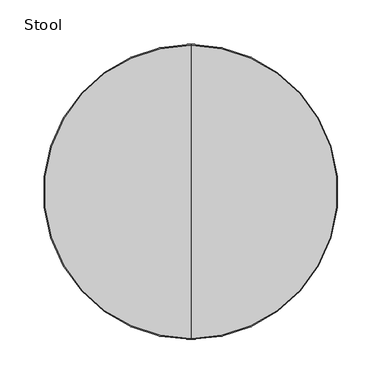
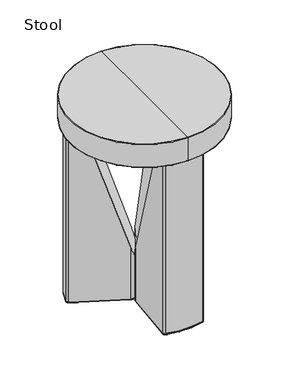
"""IFC4 building model written with IfcOpenShell, lengths in millimetres: furniture geometry, Stool."""

from ifc_helpers import new_model, si_unit, point, frame, origin, place, context, project, spatial, polyline, circle_curve, ellipse_curve, trimmed, source, transform, mapped, element, save
from ifc_brep_helpers import plane_surface, cylinder_surface, revolved_surface, advanced_brep


def stool_a5da46ef(model_context):
    return source(origin(), model_context, "Body", "AdvancedBrep", [
        advanced_brep(
        [(-103.7718593, 111.5080853, 400.2407213), (-110.115145, 110.942504, 400.2407213), (-151.1365994, 39.8912609, 400.2407213), (-148.4547642, 34.1150237, 400.2407213), (-122.0414877, 21.4956794, 400.2407213), (-79.6365483, 94.943189, 400.2407213), (-32.4948926, -11.7435212, 3.9999847), (-38.980477, -13.7550624, 3.9999847), (-146.7304592, 37.7241293, 3.9999847), (-147.2668414, 38.8794093, 3.9999847), (-107.3039768, 108.0971211, 3.9999847), (-106.0352839, 108.2102405, 3.9999847), (-7.578005, 40.6356145, 3.9999847), (-6.0772586, 34.0131631, 3.9999847), (-2.6132792, 32.0132337, 99.9105436), (-2.6132792, 32.0132337, 3.9999847), (-5.3145804, 43.9334593, 3.9999847), (-5.3145804, 43.9334593, 125.3013557), (-103.7718593, 111.5080853, 3.9999847), (-5.3145804, 43.9334593, 2.5), (-103.7718593, 111.5080853, 2.5), (-110.115145, 110.942504, 3.9999847), (-151.1365994, 39.8912609, 3.9999847), (-148.4547642, 34.1150237, 3.9999847), (-148.4547642, 34.1150237, 2.5), (-40.704782, -17.364168, 2.5), (-40.704782, -17.364168, 3.9999847), (-40.704782, -17.364168, 125.3013557), (-29.0309132, -13.7434507, 3.9999847), (-29.0309132, -13.7434507, 99.9105436), (-29.0309132, -13.7434507, 2.5), (-2.6132792, 32.0132337, 2.5), (-39.6270533, -15.1083974, 0.0), (-31.1959767, -12.4934507, 0.0), (-32.4948926, -11.7435212, 0.0), (-38.980477, -13.7550624, 0.0), (-147.3770355, 36.3707943, 0.0), (-146.7304592, 37.7241293, 0.0), (-110.115145, 110.942504, 2.5), (-151.1365994, 39.8912609, 2.5), (-108.3581029, 109.1640769, 0.0), (-148.7179153, 39.2588314, 0.0), (-147.2668414, 38.8794093, 0.0), (-107.3039768, 108.0971211, 0.0), (-6.7292707, 41.8722336, 0.0), (-105.1865496, 109.4468596, 0.0), (-106.0352839, 108.2102405, 0.0), (-7.578005, 40.6356145, 0.0), (-4.7783427, 33.2632337, 0.0), (-6.0772586, 34.0131631, 0.0)],
        [
            (0, 1, circle_curve(frame((-106.60116, 107.3857503, 400.2407213), z_axis=(0.0, 0.0, 1.0), x_axis=(-0.49999999999999534, -0.8660254037844414, 0.0)), 4.9998589)),
            (1, 2, circle_curve(frame((-1.1794573, 0.68096, 400.2407213), z_axis=(0.0, 0.0, 1.0), x_axis=(-0.49999999999999534, -0.8660254037844414, 0.0)), 154.9986844)),
            (2, 3, circle_curve(frame((-146.2993677, 38.6264375, 400.2407213), z_axis=(0.0, 0.0, 1.0), x_axis=(-0.49999999999999534, -0.8660254037844414, 0.0)), 4.9998589)),
            (3, 4),
            (4, 5),
            (5, 0),
            (6, 7, circle_curve(frame((-36.8250196, -9.2435212, 3.9999847), z_axis=(0.0, 0.0, -1.0), x_axis=(0.8660254037844388, -0.4999999999999998, 0.0)), 5.0)),
            (7, 8),
            (8, 9, circle_curve(frame((-146.2993677, 38.6264375, 3.9999847), z_axis=(0.0, 0.0, -1.0), x_axis=(-0.43109147114261126, -0.9023082308768435, 0.0)), 1.0)),
            (9, 10, circle_curve(frame((-1.1794573, 0.68096, 3.9999847), z_axis=(0.0, 0.0, -1.0), x_axis=(-0.9674736445409114, 0.2529718306822446, 0.0)), 150.9988255)),
            (10, 11, circle_curve(frame((-106.60116, 107.3857503, 3.9999847), z_axis=(0.0, 0.0, -1.0), x_axis=(-0.702816854083211, 0.7113708383231481, 0.0)), 1.0)),
            (11, 12),
            (12, 13, circle_curve(frame((-10.4073856, 36.5131631, 3.9999847), z_axis=(0.0, 0.0, -1.0), x_axis=(0.5658761144118702, 0.8244902808027054, 0.0)), 5.0)),
            (13, 6),
            (14, 15),
            (15, 16, circle_curve(frame((-10.4073856, 36.5131631, 3.9999847), z_axis=(0.0, 0.0, 1.0), x_axis=(-0.49999999999999534, -0.8660254037844414, 0.0)), 8.9998589)),
            (16, 17),
            (17, 14, ellipse_curve(frame((-10.4073856, 36.5131631, 127.4439489), z_axis=(-0.8231658716110978, 0.4752550375623798, -0.3106937351900144), x_axis=(-0.26906866747122776, 0.15534686759500713, 0.95051007512476)), 28.9669789, 8.9998589)),
            (18, 0),
            (5, 17),
            (16, 19),
            (19, 20),
            (20, 18),
            (18, 21, circle_curve(frame((-106.60116, 107.3857503, 3.9999847), z_axis=(0.0, 0.0, 1.0), x_axis=(-0.49999999999999534, -0.8660254037844414, 0.0)), 4.9998589)),
            (21, 1),
            (21, 22, circle_curve(frame((-1.1794573, 0.68096, 3.9999847), z_axis=(0.0, 0.0, 1.0), x_axis=(-0.49999999999999534, -0.8660254037844414, 0.0)), 154.9986844)),
            (22, 2),
            (22, 23, circle_curve(frame((-146.2993677, 38.6264375, 3.9999847), z_axis=(0.0, 0.0, 1.0), x_axis=(-0.49999999999999534, -0.8660254037844414, 0.0)), 4.9998589)),
            (23, 3),
            (23, 24),
            (24, 25),
            (25, 26),
            (26, 27),
            (27, 4),
            (26, 28, circle_curve(frame((-36.8250196, -9.2435212, 3.9999847), z_axis=(0.0, 0.0, 1.0), x_axis=(-0.49999999999999534, -0.8660254037844414, 0.0)), 8.9998589)),
            (28, 29),
            (29, 27, ellipse_curve(frame((-36.8250196, -9.2435212, 127.4439489), z_axis=(-0.8231658716110978, 0.4752550375623798, -0.3106937351900144), x_axis=(-0.26906866747122776, 0.15534686759500713, 0.95051007512476)), 28.9669789, 8.9998589)),
            (14, 29),
            (28, 30),
            (30, 31),
            (31, 15),
            (25, 30, circle_curve(frame((-36.8250196, -9.2435212, 2.5), z_axis=(0.0, 0.0, 1.0), x_axis=(0.8660254037844388, -0.4999999999999998, 0.0)), 8.9998589)),
            (25, 32, circle_curve(frame((-39.6270533, -15.1083974, 2.5), z_axis=(0.9023082308768664, -0.4310914711425635, 0.0), x_axis=(-0.4310914711425635, -0.9023082308768664, 0.0)), 2.5)),
            (32, 33, circle_curve(frame((-36.8250196, -9.2435212, 0.0), z_axis=(0.0, 0.0, 1.0), x_axis=(0.8660254037844388, -0.4999999999999998, 0.0)), 6.4998589)),
            (33, 30, circle_curve(frame((-31.1959767, -12.4934507, 2.5), z_axis=(-0.4999999999999997, -0.8660254037844388, 0.0), x_axis=(0.8660254037844388, -0.4999999999999997, 0.0)), 2.5)),
            (6, 34),
            (34, 35, circle_curve(frame((-36.8250196, -9.2435212, 0.0), z_axis=(0.0, 0.0, -1.0), x_axis=(0.8660254037844388, -0.4999999999999998, 0.0)), 5.0)),
            (35, 7),
            (24, 36, circle_curve(frame((-147.3770355, 36.3707943, 2.5), z_axis=(0.9023082308768663, -0.4310914711425638, 0.0), x_axis=(-0.4310914711425638, -0.9023082308768663, 0.0)), 2.5)),
            (36, 32),
            (35, 37),
            (37, 8),
            (38, 39, circle_curve(frame((-1.1794573, 0.68096, 2.5), z_axis=(0.0, 0.0, 1.0), x_axis=(-0.9674736445409114, 0.2529718306822446, 0.0)), 154.9986844)),
            (39, 22),
            (21, 38),
            (38, 40, circle_curve(frame((-108.3581029, 109.1640769, 2.5), z_axis=(-0.7113708383231314, -0.7028168540832279, 0.0), x_axis=(-0.7028168540832279, 0.7113708383231314, 0.0)), 2.5)),
            (40, 41, circle_curve(frame((-1.1794573, 0.68096, 0.0), z_axis=(0.0, 0.0, 1.0), x_axis=(-0.9674736445409114, 0.2529718306822446, 0.0)), 152.4986844)),
            (41, 39, circle_curve(frame((-148.7179153, 39.2588314, 2.5), z_axis=(0.2529718306822445, 0.9674736445409114, 0.0), x_axis=(-0.9674736445409114, 0.2529718306822445, 0.0)), 2.5)),
            (9, 42),
            (42, 43, circle_curve(frame((-1.1794573, 0.68096, 0.0), z_axis=(0.0, 0.0, -1.0), x_axis=(-0.9674736445409114, 0.2529718306822446, 0.0)), 150.9988255)),
            (43, 10),
            (19, 44, circle_curve(frame((-6.7292707, 41.8722336, 2.5), z_axis=(-0.8244902808027053, 0.5658761144118706, 0.0), x_axis=(0.5658761144118706, 0.8244902808027053, 0.0)), 2.5)),
            (44, 45),
            (45, 20, circle_curve(frame((-105.1865496, 109.4468596, 2.5), z_axis=(0.8244902808027053, -0.5658761144118706, 0.0), x_axis=(0.5658761144118706, 0.8244902808027053, 0.0)), 2.5)),
            (11, 46),
            (46, 47),
            (47, 12),
            (31, 19, circle_curve(frame((-10.4073856, 36.5131631, 2.5), z_axis=(0.0, 0.0, 1.0), x_axis=(0.5658761144118702, 0.8244902808027054, 0.0)), 8.9998589)),
            (31, 48, circle_curve(frame((-4.7783427, 33.2632337, 2.5), z_axis=(0.49999999999999817, 0.8660254037844397, 0.0), x_axis=(0.8660254037844397, -0.49999999999999817, 0.0)), 2.5)),
            (48, 44, circle_curve(frame((-10.4073856, 36.5131631, 0.0), z_axis=(0.0, 0.0, 1.0), x_axis=(0.5658761144118702, 0.8244902808027054, 0.0)), 6.4998589)),
            (47, 49, circle_curve(frame((-10.4073856, 36.5131631, 0.0), z_axis=(0.0, 0.0, -1.0), x_axis=(0.5658761144118702, 0.8244902808027054, 0.0)), 5.0)),
            (49, 13),
            (33, 48),
            (49, 34),
            (39, 24, circle_curve(frame((-146.2993677, 38.6264375, 2.5), z_axis=(0.0, 0.0, 1.0), x_axis=(-0.43109147114261126, -0.9023082308768435, 0.0)), 4.9998589)),
            (41, 36, circle_curve(frame((-146.2993677, 38.6264375, 0.0), z_axis=(0.0, 0.0, 1.0), x_axis=(-0.43109147114261126, -0.9023082308768435, 0.0)), 2.4998589)),
            (37, 42, circle_curve(frame((-146.2993677, 38.6264375, 0.0), z_axis=(0.0, 0.0, -1.0), x_axis=(-0.43109147114261126, -0.9023082308768435, 0.0)), 1.0)),
            (20, 38, circle_curve(frame((-106.60116, 107.3857503, 2.5), z_axis=(0.0, 0.0, 1.0), x_axis=(-0.702816854083211, 0.7113708383231481, 0.0)), 4.9998589)),
            (45, 40, circle_curve(frame((-106.60116, 107.3857503, 0.0), z_axis=(0.0, 0.0, 1.0), x_axis=(-0.702816854083211, 0.7113708383231481, 0.0)), 2.4998589)),
            (46, 43, circle_curve(frame((-106.60116, 107.3857503, 0.0), z_axis=(0.0, 0.0, 1.0), x_axis=(-0.702816854083211, 0.7113708383231481, 0.0)), 1.0)),
        ],
        [
            plane_surface(frame((-14.907315, 28.7190567, 400.2407213), z_axis=(0.0, 0.0, 1.0), x_axis=(0.8660254037844413, -0.4999999999999955, 0.0))),
            plane_surface(frame((-14.907315, 28.7190567, 3.9999847), z_axis=(0.0, 0.0, -1.0), x_axis=(-0.8660254037844413, 0.4999999999999955, 0.0))),
            cylinder_surface(frame((-10.4073856, 36.5131631, 3.9999847), z_axis=(0.0, 0.0, 1.0), x_axis=(-0.49999999999999534, -0.8660254037844414, 0.0)), 8.9998589),
            plane_surface(frame((-5.3145804, 43.9334593, 400.2407213), z_axis=(0.5658761144118702, 0.8244902808027054, 0.0), x_axis=(0.0, 0.0, -1.0))),
            cylinder_surface(frame((-106.60116, 107.3857503, 3.9999847), z_axis=(0.0, 0.0, 1.0), x_axis=(-0.49999999999999534, -0.8660254037844414, 0.0)), 4.9998589),
            cylinder_surface(frame((-1.1794573, 0.68096, 3.9999847), z_axis=(0.0, 0.0, 1.0), x_axis=(-0.49999999999999534, -0.8660254037844414, 0.0)), 154.9986844),
            cylinder_surface(frame((-146.2993677, 38.6264375, 3.9999847), z_axis=(0.0, 0.0, 1.0), x_axis=(-0.49999999999999534, -0.8660254037844414, 0.0)), 4.9998589),
            plane_surface(frame((-148.4547642, 34.1150237, 400.2407213), z_axis=(-0.43109147114256363, -0.9023082308768663, 0.0), x_axis=(0.0, 0.0, -1.0))),
            cylinder_surface(frame((-36.8250196, -9.2435212, 3.9999847), z_axis=(0.0, 0.0, 1.0), x_axis=(-0.49999999999999534, -0.8660254037844414, 0.0)), 8.9998589),
            plane_surface(frame((-29.0309132, -13.7434507, 400.2407213), z_axis=(0.8660254037844397, -0.49999999999999817, 0.0), x_axis=(0.0, 0.0, -1.0))),
            plane_surface(frame((-130.8891108, 14.8905779, 413.5784658), z_axis=(0.8231658716110978, -0.4752550375623798, 0.3106937351900144), x_axis=(0.49999999999999567, 0.8660254037844412, 0.0))),
            cylinder_surface(frame((-36.8250196, -9.2435212, 0.0), z_axis=(0.0, 0.0, -1.0), x_axis=(0.8660254037844388, -0.4999999999999998, 0.0)), 8.9998589),
            revolved_surface(trimmed(ellipse_curve(frame((-31.1959767, -12.4934507, 2.5), z_axis=(0.4999999999999997, 0.8660254037844388, 0.0), x_axis=(0.8660254037844388, -0.4999999999999997, 0.0)), 2.5, 2.5), [point((-29.0309132, -13.7434507, 2.5))], [point((-31.1959767, -12.4934507, 0.0))], True, "CARTESIAN"), (-36.8250196, -9.2435212, 0.0), (0.0, 0.0, -1.0)),
            revolved_surface(polyline([(-32.494892581077806, -11.7435212, 0.0), (-32.494892581077806, -11.7435212, 3.9999847)]), (-36.8250196, -9.2435212, 0.0), (0.0, 0.0, -1.0)),
            cylinder_surface(frame((-39.6270533, -15.1083974, 2.5), z_axis=(0.9023082308768663, -0.4310914711425638, 0.0), x_axis=(-0.4310914711425638, -0.9023082308768663, 0.0)), 2.5),
            plane_surface(frame((-38.980477, -13.7550624, 0.0), z_axis=(0.4310914711425638, 0.9023082308768663, 0.0), x_axis=(-0.9023082308768663, 0.4310914711425638, 0.0))),
            cylinder_surface(frame((-1.1794573, 0.68096, 0.0), z_axis=(0.0, 0.0, -1.0), x_axis=(-0.9674736445409114, 0.2529718306822446, 0.0)), 154.9986844),
            revolved_surface(trimmed(ellipse_curve(frame((-148.7179153, 39.2588314, 2.5), z_axis=(-0.2529718306822445, -0.9674736445409114, 0.0), x_axis=(-0.9674736445409114, 0.2529718306822445, 0.0)), 2.5, 2.5), [point((-151.1365994, 39.8912609, 2.5))], [point((-148.7179153, 39.2588314, 0.0))], True, "CARTESIAN"), (-1.1794573, 0.68096, 0.0), (0.0, 0.0, -1.0)),
            revolved_surface(polyline([(-147.26684132788213, 38.8794093176038, 0.0), (-147.26684132788213, 38.8794093176038, 3.9999847)]), (-1.1794573, 0.68096, 0.0), (0.0, 0.0, -1.0)),
            cylinder_surface(frame((-105.1865496, 109.4468596, 2.5), z_axis=(-0.8244902808027053, 0.5658761144118706, 0.0), x_axis=(0.5658761144118706, 0.8244902808027053, 0.0)), 2.5),
            plane_surface(frame((-106.0352839, 108.2102405, 0.0), z_axis=(-0.5658761144118702, -0.8244902808027054, 0.0), x_axis=(0.8244902808027054, -0.5658761144118702, 0.0))),
            cylinder_surface(frame((-10.4073856, 36.5131631, 0.0), z_axis=(0.0, 0.0, -1.0), x_axis=(0.5658761144118702, 0.8244902808027054, 0.0)), 8.9998589),
            revolved_surface(trimmed(ellipse_curve(frame((-6.7292707, 41.8722336, 2.5), z_axis=(-0.824490280802705, 0.5658761144118707, 0.0), x_axis=(0.5658761144118707, 0.824490280802705, 0.0)), 2.5, 2.5), [point((-5.3145804, 43.9334593, 2.5))], [point((-6.7292707, 41.8722336, 0.0))], True, "CARTESIAN"), (-10.4073856, 36.5131631, 0.0), (0.0, 0.0, -1.0)),
            revolved_surface(polyline([(-7.578005027940648, 40.635614504013525, 0.0), (-7.578005027940648, 40.635614504013525, 3.9999847)]), (-10.4073856, 36.5131631, 0.0), (0.0, 0.0, -1.0)),
            cylinder_surface(frame((-4.7783427, 33.2632337, 2.5), z_axis=(0.49999999999999833, 0.8660254037844396, 0.0), x_axis=(0.8660254037844396, -0.49999999999999833, 0.0)), 2.5),
            plane_surface(frame((-6.0772586, 34.0131631, 0.0), z_axis=(-0.8660254037844397, 0.4999999999999981, 0.0), x_axis=(-0.4999999999999981, -0.8660254037844397, 0.0))),
            cylinder_surface(frame((-146.2993677, 38.6264375, 0.0), z_axis=(0.0, 0.0, -1.0), x_axis=(-0.43109147114261126, -0.9023082308768435, 0.0)), 4.9998589),
            revolved_surface(trimmed(ellipse_curve(frame((-147.3770355, 36.3707943, 2.5), z_axis=(0.9023082308768434, -0.4310914711426115, 0.0), x_axis=(-0.4310914711426115, -0.9023082308768434, 0.0)), 2.5, 2.5), [point((-148.4547642, 34.1150237, 2.5))], [point((-147.3770355, 36.3707943, 0.0))], True, "CARTESIAN"), (-146.2993677, 38.6264375, 0.0), (0.0, 0.0, -1.0)),
            revolved_surface(polyline([(-146.73045917114263, 37.72412926912316, 0.0), (-146.73045917114263, 37.72412926912316, 3.9999847)]), (-146.2993677, 38.6264375, 0.0), (0.0, 0.0, -1.0)),
            cylinder_surface(frame((-106.60116, 107.3857503, 0.0), z_axis=(0.0, 0.0, -1.0), x_axis=(-0.702816854083211, 0.7113708383231481, 0.0)), 4.9998589),
            revolved_surface(trimmed(ellipse_curve(frame((-108.3581029, 109.1640769, 2.5), z_axis=(-0.7113708383231481, -0.702816854083211, 0.0), x_axis=(-0.702816854083211, 0.7113708383231481, 0.0)), 2.5, 2.5), [point((-110.115145, 110.942504, 2.5))], [point((-108.3581029, 109.1640769, 0.0))], True, "CARTESIAN"), (-106.60116, 107.3857503, 0.0), (0.0, 0.0, -1.0)),
            plane_surface(frame((-106.60116, 107.3857503, 0.0), z_axis=(0.0, 0.0, -1.0), x_axis=(-0.702816854083211, 0.7113708383231481, 0.0))),
            revolved_surface(polyline([(-107.3039768540832, 108.09712113832315, 0.0), (-107.3039768540832, 108.09712113832315, 3.9999847)]), (-106.60116, 107.3857503, 0.0), (0.0, 0.0, -1.0)),
        ],
        [
            (0, [[1, 2, 3, 4, 5, 6]]),
            (1, [[7, 8, 9, 10, 11, 12, 13, 14]]),
            (2, [[15, 16, 17, 18]]),
            (3, [[19, -6, 20, -17, 21, 22, 23]]),
            (4, [[-1, -19, 24, 25]]),
            (5, [[-2, -25, 26, 27]]),
            (6, [[-3, -27, 28, 29]]),
            (7, [[-29, 30, 31, 32, 33, 34, -4]]),
            (8, [[-33, 35, 36, 37]]),
            (9, [[-15, 38, -36, 39, 40, 41]]),
            (10, [[-5, -34, -37, -38, -18, -20]]),
            (11, [[42, -39, -35, -32]]),
            (12, [[-42, 43, 44, 45]]),
            (13, [[46, 47, 48, -7]]),
            (14, [[-43, -31, 49, 50]]),
            (15, [[-48, 51, 52, -8]]),
            (16, [[53, 54, -26, 55]]),
            (17, [[-53, 56, 57, 58]]),
            (18, [[59, 60, 61, -10]]),
            (19, [[-22, 62, 63, 64]]),
            (20, [[65, 66, 67, -12]]),
            (21, [[-21, -16, -41, 68]]),
            (22, [[-62, -68, 69, 70]]),
            (23, [[-67, 71, 72, -13]]),
            (24, [[-45, 73, -69, -40]]),
            (25, [[-46, -14, -72, 74]]),
            (26, [[-30, -28, -54, 75]]),
            (27, [[-49, -75, -58, 76]]),
            (28, [[-52, 77, -59, -9]]),
            (29, [[-55, -24, -23, 78]]),
            (30, [[-56, -78, -64, 79]]),
            (31, [[-44, -50, -76, -57, -79, -63, -70, -73], [-47, -74, -71, -66, 80, -60, -77, -51]]),
            (32, [[-61, -80, -65, -11]]),
        ],
    ),
        advanced_brep(
        [(148.4547642, 34.1150237, 400.2407213), (151.1365994, 39.8912609, 400.2407213), (110.115145, 110.942504, 400.2407213), (103.7718593, 111.5080853, 400.2407213), (79.6365483, 94.943189, 400.2407213), (122.0414877, 21.4956794, 400.2407213), (38.980477, -13.7550624, 3.9999847), (32.4948926, -11.7435212, 3.9999847), (6.0772586, 34.0131631, 3.9999847), (7.578005, 40.6356145, 3.9999847), (106.0352839, 108.2102405, 3.9999847), (107.3039768, 108.0971211, 3.9999847), (147.2668414, 38.8794093, 3.9999847), (146.7304592, 37.7241293, 3.9999847), (5.3145804, 43.9334593, 125.3013557), (5.3145804, 43.9334593, 3.9999847), (2.6132792, 32.0132337, 3.9999847), (2.6132792, 32.0132337, 99.9105436), (103.7718593, 111.5080853, 3.9999847), (103.7718593, 111.5080853, 2.5), (5.3145804, 43.9334593, 2.5), (110.115145, 110.942504, 3.9999847), (151.1365994, 39.8912609, 3.9999847), (148.4547642, 34.1150237, 3.9999847), (40.704782, -17.364168, 125.3013557), (40.704782, -17.364168, 3.9999847), (40.704782, -17.364168, 2.5), (148.4547642, 34.1150237, 2.5), (29.0309132, -13.7434507, 99.9105436), (29.0309132, -13.7434507, 3.9999847), (2.6132792, 32.0132337, 2.5), (29.0309132, -13.7434507, 2.5), (31.1959767, -12.4934507, 0.0), (39.6270533, -15.1083974, 0.0), (38.980477, -13.7550624, 0.0), (32.4948926, -11.7435212, 0.0), (147.3770355, 36.3707943, 0.0), (146.7304592, 37.7241293, 0.0), (151.1365994, 39.8912609, 2.5), (110.115145, 110.942504, 2.5), (148.7179153, 39.2588314, 0.0), (108.3581029, 109.1640769, 0.0), (107.3039768, 108.0971211, 0.0), (147.2668414, 38.8794093, 0.0), (105.1865496, 109.4468596, 0.0), (6.7292707, 41.8722336, 0.0), (106.0352839, 108.2102405, 0.0), (7.578005, 40.6356145, 0.0), (4.7783427, 33.2632337, 0.0), (6.0772586, 34.0131631, 0.0)],
        [
            (0, 1, circle_curve(frame((146.2993677, 38.6264375, 400.2407213), z_axis=(0.0, 0.0, 1.0), x_axis=(0.49999999999999534, -0.8660254037844414, 0.0)), 4.9998589)),
            (1, 2, circle_curve(frame((1.1794573, 0.68096, 400.2407213), z_axis=(0.0, 0.0, 1.0), x_axis=(0.49999999999999534, -0.8660254037844414, 0.0)), 154.9986844)),
            (2, 3, circle_curve(frame((106.60116, 107.3857503, 400.2407213), z_axis=(0.0, 0.0, 1.0), x_axis=(0.49999999999999534, -0.8660254037844414, 0.0)), 4.9998589)),
            (3, 4),
            (4, 5),
            (5, 0),
            (6, 7, circle_curve(frame((36.8250196, -9.2435212, 3.9999847), z_axis=(0.0, 0.0, -1.0), x_axis=(-0.8660254037844387, -0.4999999999999997, 0.0)), 5.0)),
            (7, 8),
            (8, 9, circle_curve(frame((10.4073856, 36.5131631, 3.9999847), z_axis=(0.0, 0.0, -1.0), x_axis=(-0.5658761144118702, 0.8244902808027054, 0.0)), 5.0)),
            (9, 10),
            (10, 11, circle_curve(frame((106.60116, 107.3857503, 3.9999847), z_axis=(0.0, 0.0, -1.0), x_axis=(0.7028168540832022, 0.7113708383231567, 0.0)), 1.0)),
            (11, 12, circle_curve(frame((1.1794573, 0.68096, 3.9999847), z_axis=(0.0, 0.0, -1.0), x_axis=(0.9674736445409113, 0.2529718306822445, 0.0)), 150.9988255)),
            (12, 13, circle_curve(frame((146.2993677, 38.6264375, 3.9999847), z_axis=(0.0, 0.0, -1.0), x_axis=(0.43109147114261126, -0.9023082308768435, 0.0)), 1.0)),
            (13, 6),
            (14, 15),
            (15, 16, circle_curve(frame((10.4073856, 36.5131631, 3.9999847), z_axis=(0.0, 0.0, 1.0), x_axis=(0.49999999999999534, -0.8660254037844414, 0.0)), 8.9998589)),
            (16, 17),
            (17, 14, ellipse_curve(frame((10.4073856, 36.5131631, 127.4439489), z_axis=(0.8231658716110979, 0.47525503756237963, -0.3106937351900144), x_axis=(0.26906866747122776, 0.15534686759500707, 0.95051007512476)), 28.9669789, 8.9998589)),
            (3, 18),
            (18, 19),
            (19, 20),
            (20, 15),
            (14, 4),
            (2, 21),
            (21, 18, circle_curve(frame((106.60116, 107.3857503, 3.9999847), z_axis=(0.0, 0.0, 1.0), x_axis=(0.49999999999999534, -0.8660254037844414, 0.0)), 4.9998589)),
            (1, 22),
            (22, 21, circle_curve(frame((1.1794573, 0.68096, 3.9999847), z_axis=(0.0, 0.0, 1.0), x_axis=(0.49999999999999534, -0.8660254037844414, 0.0)), 154.9986844)),
            (0, 23),
            (23, 22, circle_curve(frame((146.2993677, 38.6264375, 3.9999847), z_axis=(0.0, 0.0, 1.0), x_axis=(0.49999999999999534, -0.8660254037844414, 0.0)), 4.9998589)),
            (5, 24),
            (24, 25),
            (25, 26),
            (26, 27),
            (27, 23),
            (24, 28, ellipse_curve(frame((36.8250196, -9.2435212, 127.4439489), z_axis=(0.8231658716110979, 0.47525503756237963, -0.3106937351900144), x_axis=(0.26906866747122776, 0.15534686759500707, 0.95051007512476)), 28.9669789, 8.9998589)),
            (28, 29),
            (29, 25, circle_curve(frame((36.8250196, -9.2435212, 3.9999847), z_axis=(0.0, 0.0, 1.0), x_axis=(0.49999999999999534, -0.8660254037844414, 0.0)), 8.9998589)),
            (28, 17),
            (16, 30),
            (30, 31),
            (31, 29),
            (31, 26, circle_curve(frame((36.8250196, -9.2435212, 2.5), z_axis=(0.0, 0.0, 1.0), x_axis=(-0.8660254037844387, -0.4999999999999997, 0.0)), 8.9998589)),
            (31, 32, circle_curve(frame((31.1959767, -12.4934507, 2.5), z_axis=(0.49999999999999944, -0.8660254037844388, 0.0), x_axis=(0.8660254037844388, 0.49999999999999944, 0.0)), 2.5)),
            (32, 33, circle_curve(frame((36.8250196, -9.2435212, 0.0), z_axis=(0.0, 0.0, 1.0), x_axis=(-0.8660254037844387, -0.4999999999999997, 0.0)), 6.4998589)),
            (33, 26, circle_curve(frame((39.6270533, -15.1083974, 2.5), z_axis=(-0.9023082308768668, -0.4310914711425624, 0.0), x_axis=(-0.4310914711425624, 0.9023082308768668, 0.0)), 2.5)),
            (34, 35, circle_curve(frame((36.8250196, -9.2435212, 0.0), z_axis=(0.0, 0.0, -1.0), x_axis=(-0.8660254037844387, -0.4999999999999997, 0.0)), 5.0)),
            (35, 7),
            (6, 34),
            (33, 36),
            (36, 27, circle_curve(frame((147.3770355, 36.3707943, 2.5), z_axis=(-0.9023082308768663, -0.4310914711425635, 0.0), x_axis=(-0.4310914711425635, 0.9023082308768663, 0.0)), 2.5)),
            (13, 37),
            (37, 34),
            (22, 38),
            (38, 39, circle_curve(frame((1.1794573, 0.68096, 2.5), z_axis=(0.0, 0.0, 1.0), x_axis=(0.9674736445409113, 0.2529718306822445, 0.0)), 154.9986844)),
            (39, 21),
            (38, 40, circle_curve(frame((148.7179153, 39.2588314, 2.5), z_axis=(-0.2529718306822445, 0.9674736445409113, 0.0), x_axis=(-0.9674736445409113, -0.2529718306822445, 0.0)), 2.5)),
            (40, 41, circle_curve(frame((1.1794573, 0.68096, 0.0), z_axis=(0.0, 0.0, 1.0), x_axis=(0.9674736445409113, 0.2529718306822445, 0.0)), 152.4986844)),
            (41, 39, circle_curve(frame((108.3581029, 109.1640769, 2.5), z_axis=(0.7113708383231312, -0.702816854083228, 0.0), x_axis=(-0.702816854083228, -0.7113708383231312, 0.0)), 2.5)),
            (42, 43, circle_curve(frame((1.1794573, 0.68096, 0.0), z_axis=(0.0, 0.0, -1.0), x_axis=(0.9674736445409113, 0.2529718306822445, 0.0)), 150.9988255)),
            (43, 12),
            (11, 42),
            (19, 44, circle_curve(frame((105.1865496, 109.4468596, 2.5), z_axis=(-0.8244902808027056, -0.5658761144118699, 0.0), x_axis=(0.5658761144118699, -0.8244902808027056, 0.0)), 2.5)),
            (44, 45),
            (45, 20, circle_curve(frame((6.7292707, 41.8722336, 2.5), z_axis=(0.8244902808027056, 0.5658761144118699, 0.0), x_axis=(0.5658761144118699, -0.8244902808027056, 0.0)), 2.5)),
            (46, 10),
            (9, 47),
            (47, 46),
            (20, 30, circle_curve(frame((10.4073856, 36.5131631, 2.5), z_axis=(0.0, 0.0, 1.0), x_axis=(-0.5658761144118702, 0.8244902808027054, 0.0)), 8.9998589)),
            (45, 48, circle_curve(frame((10.4073856, 36.5131631, 0.0), z_axis=(0.0, 0.0, 1.0), x_axis=(-0.5658761144118702, 0.8244902808027054, 0.0)), 6.4998589)),
            (48, 30, circle_curve(frame((4.7783427, 33.2632337, 2.5), z_axis=(-0.4999999999999978, 0.86602540378444, 0.0), x_axis=(0.86602540378444, 0.4999999999999978, 0.0)), 2.5)),
            (8, 49),
            (49, 47, circle_curve(frame((10.4073856, 36.5131631, 0.0), z_axis=(0.0, 0.0, -1.0), x_axis=(-0.5658761144118702, 0.8244902808027054, 0.0)), 5.0)),
            (48, 32),
            (35, 49),
            (27, 38, circle_curve(frame((146.2993677, 38.6264375, 2.5), z_axis=(0.0, 0.0, 1.0), x_axis=(0.43109147114261126, -0.9023082308768435, 0.0)), 4.9998589)),
            (36, 40, circle_curve(frame((146.2993677, 38.6264375, 0.0), z_axis=(0.0, 0.0, 1.0), x_axis=(0.43109147114261126, -0.9023082308768435, 0.0)), 2.4998589)),
            (43, 37, circle_curve(frame((146.2993677, 38.6264375, 0.0), z_axis=(0.0, 0.0, -1.0), x_axis=(0.43109147114261126, -0.9023082308768435, 0.0)), 1.0)),
            (39, 19, circle_curve(frame((106.60116, 107.3857503, 2.5), z_axis=(0.0, 0.0, 1.0), x_axis=(0.7028168540832022, 0.7113708383231567, 0.0)), 4.9998589)),
            (41, 44, circle_curve(frame((106.60116, 107.3857503, 0.0), z_axis=(0.0, 0.0, 1.0), x_axis=(0.7028168540832022, 0.7113708383231567, 0.0)), 2.4998589)),
            (42, 46, circle_curve(frame((106.60116, 107.3857503, 0.0), z_axis=(0.0, 0.0, 1.0), x_axis=(0.7028168540832022, 0.7113708383231567, 0.0)), 1.0)),
        ],
        [
            plane_surface(frame((29.0309132, -13.7434507, 400.2407213), z_axis=(0.0, 0.0, 1.0), x_axis=(0.49999999999999817, -0.8660254037844397, 0.0))),
            plane_surface(frame((29.0309132, -13.7434507, 3.9999847), z_axis=(0.0, 0.0, -1.0), x_axis=(-0.49999999999999817, 0.8660254037844397, 0.0))),
            cylinder_surface(frame((10.4073856, 36.5131631, 3.9999847), z_axis=(0.0, 0.0, 1.0), x_axis=(0.49999999999999534, -0.8660254037844414, 0.0)), 8.9998589),
            plane_surface(frame((103.7718593, 111.5080853, 400.2407213), z_axis=(-0.5658761144118702, 0.8244902808027054, 0.0), x_axis=(0.0, 0.0, -1.0))),
            cylinder_surface(frame((106.60116, 107.3857503, 3.9999847), z_axis=(0.0, 0.0, 1.0), x_axis=(0.49999999999999534, -0.8660254037844414, 0.0)), 4.9998589),
            cylinder_surface(frame((1.1794573, 0.68096, 3.9999847), z_axis=(0.0, 0.0, 1.0), x_axis=(0.49999999999999534, -0.8660254037844414, 0.0)), 154.9986844),
            cylinder_surface(frame((146.2993677, 38.6264375, 3.9999847), z_axis=(0.0, 0.0, 1.0), x_axis=(0.49999999999999534, -0.8660254037844414, 0.0)), 4.9998589),
            plane_surface(frame((40.704782, -17.364168, 400.2407213), z_axis=(0.43109147114256363, -0.9023082308768663, 0.0), x_axis=(0.0, 0.0, -1.0))),
            cylinder_surface(frame((36.8250196, -9.2435212, 3.9999847), z_axis=(0.0, 0.0, 1.0), x_axis=(0.49999999999999534, -0.8660254037844414, 0.0)), 8.9998589),
            plane_surface(frame((2.6132792, 32.0132337, 400.2407213), z_axis=(-0.8660254037844397, -0.49999999999999817, 0.0), x_axis=(0.0, 0.0, -1.0))),
            plane_surface(frame((36.7150772, -39.4808257, 80.8999395), z_axis=(-0.8231658716110979, -0.47525503756237963, 0.3106937351900144), x_axis=(-0.4999999999999955, 0.8660254037844413, 0.0))),
            cylinder_surface(frame((36.8250196, -9.2435212, 0.0), z_axis=(0.0, 0.0, 1.0), x_axis=(-0.8660254037844387, -0.4999999999999997, 0.0)), 8.9998589),
            revolved_surface(trimmed(ellipse_curve(frame((31.1959767, -12.4934507, 2.5), z_axis=(-0.49999999999999944, 0.8660254037844388, 0.0), x_axis=(0.8660254037844388, 0.49999999999999944, 0.0)), 2.5, 2.5), [point((31.1959767, -12.4934507, 0.0))], [point((29.0309132, -13.7434507, 2.5))], True, "CARTESIAN"), (36.8250196, -9.2435212, 0.0), (0.0, 0.0, 1.0)),
            revolved_surface(polyline([(32.494892581077806, -11.743521199999998, 3.9999847), (32.494892581077806, -11.743521199999998, 0.0)]), (36.8250196, -9.2435212, 0.0), (0.0, 0.0, 1.0)),
            cylinder_surface(frame((39.6270533, -15.1083974, 2.5), z_axis=(-0.9023082308768663, -0.4310914711425635, 0.0), x_axis=(-0.4310914711425635, 0.9023082308768663, 0.0)), 2.5),
            plane_surface(frame((38.980477, -13.7550624, 3.9999847), z_axis=(-0.43109147114256374, 0.9023082308768663, 0.0), x_axis=(0.9023082308768663, 0.43109147114256374, 0.0))),
            cylinder_surface(frame((1.1794573, 0.68096, 0.0), z_axis=(0.0, 0.0, 1.0), x_axis=(0.9674736445409113, 0.2529718306822445, 0.0)), 154.9986844),
            revolved_surface(trimmed(ellipse_curve(frame((148.7179153, 39.2588314, 2.5), z_axis=(0.2529718306822445, -0.9674736445409113, 0.0), x_axis=(-0.9674736445409113, -0.2529718306822445, 0.0)), 2.5, 2.5), [point((148.7179153, 39.2588314, 0.0))], [point((151.1365994, 39.8912609, 2.5))], True, "CARTESIAN"), (1.1794573, 0.68096, 0.0), (0.0, 0.0, 1.0)),
            revolved_surface(polyline([(147.2668413278821, 38.87940931760378, 3.9999847), (147.2668413278821, 38.87940931760378, 0.0)]), (1.1794573, 0.68096, 0.0), (0.0, 0.0, 1.0)),
            cylinder_surface(frame((105.1865496, 109.4468596, 2.5), z_axis=(0.8244902808027056, 0.5658761144118699, 0.0), x_axis=(0.5658761144118699, -0.8244902808027056, 0.0)), 2.5),
            plane_surface(frame((106.0352839, 108.2102405, 3.9999847), z_axis=(0.5658761144118701, -0.8244902808027055, 0.0), x_axis=(-0.8244902808027055, -0.5658761144118701, 0.0))),
            cylinder_surface(frame((10.4073856, 36.5131631, 0.0), z_axis=(0.0, 0.0, 1.0), x_axis=(-0.5658761144118702, 0.8244902808027054, 0.0)), 8.9998589),
            revolved_surface(trimmed(ellipse_curve(frame((6.7292707, 41.8722336, 2.5), z_axis=(0.8244902808027055, 0.5658761144118701, 0.0), x_axis=(0.5658761144118701, -0.8244902808027055, 0.0)), 2.5, 2.5), [point((6.7292707, 41.8722336, 0.0))], [point((5.3145804, 43.9334593, 2.5))], True, "CARTESIAN"), (10.4073856, 36.5131631, 0.0), (0.0, 0.0, 1.0)),
            revolved_surface(polyline([(7.578005027940648, 40.635614504013525, 3.9999847), (7.578005027940648, 40.635614504013525, 0.0)]), (10.4073856, 36.5131631, 0.0), (0.0, 0.0, 1.0)),
            cylinder_surface(frame((4.7783427, 33.2632337, 2.5), z_axis=(-0.4999999999999978, 0.86602540378444, 0.0), x_axis=(0.86602540378444, 0.4999999999999978, 0.0)), 2.5),
            plane_surface(frame((6.0772586, 34.0131631, 3.9999847), z_axis=(0.8660254037844397, 0.4999999999999981, 0.0), x_axis=(0.4999999999999981, -0.8660254037844397, 0.0))),
            cylinder_surface(frame((146.2993677, 38.6264375, 0.0), z_axis=(0.0, 0.0, 1.0), x_axis=(0.43109147114261126, -0.9023082308768435, 0.0)), 4.9998589),
            revolved_surface(trimmed(ellipse_curve(frame((147.3770355, 36.3707943, 2.5), z_axis=(-0.9023082308768435, -0.43109147114261137, 0.0), x_axis=(-0.43109147114261137, 0.9023082308768435, 0.0)), 2.5, 2.5), [point((147.3770355, 36.3707943, 0.0))], [point((148.4547642, 34.1150237, 2.5))], True, "CARTESIAN"), (146.2993677, 38.6264375, 0.0), (0.0, 0.0, 1.0)),
            revolved_surface(polyline([(146.73045917114263, 37.72412926912316, 3.9999847), (146.73045917114263, 37.72412926912316, 0.0)]), (146.2993677, 38.6264375, 0.0), (0.0, 0.0, 1.0)),
            cylinder_surface(frame((106.60116, 107.3857503, 0.0), z_axis=(0.0, 0.0, 1.0), x_axis=(0.7028168540832022, 0.7113708383231567, 0.0)), 4.9998589),
            revolved_surface(trimmed(ellipse_curve(frame((108.3581029, 109.1640769, 2.5), z_axis=(0.7113708383231564, -0.7028168540832025, 0.0), x_axis=(-0.7028168540832025, -0.7113708383231564, 0.0)), 2.5, 2.5), [point((108.3581029, 109.1640769, 0.0))], [point((110.115145, 110.942504, 2.5))], True, "CARTESIAN"), (106.60116, 107.3857503, 0.0), (0.0, 0.0, 1.0)),
            plane_surface(frame((106.60116, 107.3857503, 0.0), z_axis=(0.0, 0.0, -1.0000000000000002), x_axis=(0.7028168540832023, 0.7113708383231568, 0.0))),
            revolved_surface(polyline([(107.30397685408319, 108.09712113832316, 3.9999847), (107.30397685408319, 108.09712113832316, 0.0)]), (106.60116, 107.3857503, 0.0), (0.0, 0.0, 1.0)),
        ],
        [
            (0, [[1, 2, 3, 4, 5, 6]]),
            (1, [[7, 8, 9, 10, 11, 12, 13, 14]]),
            (2, [[15, 16, 17, 18]]),
            (3, [[19, 20, 21, 22, -15, 23, -4]]),
            (4, [[-3, 24, 25, -19]]),
            (5, [[-2, 26, 27, -24]]),
            (6, [[-1, 28, 29, -26]]),
            (7, [[-28, -6, 30, 31, 32, 33, 34]]),
            (8, [[-31, 35, 36, 37]]),
            (9, [[-36, 38, -17, 39, 40, 41]]),
            (10, [[-5, -23, -18, -38, -35, -30]]),
            (11, [[-41, 42, -32, -37]]),
            (12, [[-42, 43, 44, 45]]),
            (13, [[46, 47, -7, 48]]),
            (14, [[-45, 49, 50, -33]]),
            (15, [[-48, -14, 51, 52]]),
            (16, [[53, 54, 55, -27]]),
            (17, [[-54, 56, 57, 58]]),
            (18, [[59, 60, -12, 61]]),
            (19, [[-21, 62, 63, 64]]),
            (20, [[65, -10, 66, 67]]),
            (21, [[-22, 68, -39, -16]]),
            (22, [[-64, 69, 70, -68]]),
            (23, [[-66, -9, 71, 72]]),
            (24, [[-43, -40, -70, 73]]),
            (25, [[-47, 74, -71, -8]]),
            (26, [[-34, 75, -53, -29]]),
            (27, [[-50, 76, -56, -75]]),
            (28, [[-51, -13, -60, 77]]),
            (29, [[-55, 78, -20, -25]]),
            (30, [[-58, 79, -62, -78]]),
            (31, [[-44, -73, -69, -63, -79, -57, -76, -49], [-46, -52, -77, -59, 80, -67, -72, -74]]),
            (32, [[-61, -11, -65, -80]]),
        ],
    ),
        advanced_brep(
        [(-44.6829049, -145.623109, 400.2407213), (-41.0214543, -150.833765, 400.2407213), (41.0214543, -150.833765, 400.2407213), (44.6829049, -145.623109, 400.2407213), (42.4049394, -116.4388684, 400.2407213), (-42.4049394, -116.4388684, 400.2407213), (26.417634, -22.2696419, 3.9999847), (31.402472, -26.8805521, 3.9999847), (40.6951753, -145.9343698, 3.9999847), (39.9628645, -146.9765304, 3.9999847), (-39.9628645, -146.9765304, 3.9999847), (-40.6951753, -145.9343698, 3.9999847), (-31.402472, -26.8805521, 3.9999847), (-26.417634, -22.2696419, 3.9999847), (-26.417634, -18.269783, 99.9105436), (-26.417634, -18.269783, 3.9999847), (-35.3902016, -26.5692913, 3.9999847), (-35.3902016, -26.5692913, 125.3013557), (-44.6829049, -145.623109, 3.9999847), (-35.3902016, -26.5692913, 2.5), (-44.6829049, -145.623109, 2.5), (-41.0214543, -150.833765, 3.9999847), (41.0214543, -150.833765, 3.9999847), (44.6829049, -145.623109, 3.9999847), (44.6829049, -145.623109, 2.5), (35.3902016, -26.5692913, 2.5), (35.3902016, -26.5692913, 3.9999847), (35.3902016, -26.5692913, 125.3013557), (26.417634, -18.269783, 3.9999847), (26.417634, -18.269783, 99.9105436), (26.417634, -18.269783, 2.5), (-26.417634, -18.269783, 2.5), (32.8977826, -26.7638362, 0.0), (26.417634, -20.769783, 0.0), (26.417634, -22.2696419, 0.0), (31.402472, -26.8805521, 0.0), (42.190486, -145.8176538, 0.0), (40.6951753, -145.9343698, 0.0), (-41.0214543, -150.833765, 2.5), (41.0214543, -150.833765, 2.5), (-40.3598124, -148.4229083, 0.0), (40.3598124, -148.4229083, 0.0), (39.9628645, -146.9765304, 0.0), (-39.9628645, -146.9765304, 0.0), (-32.8977826, -26.7638362, 0.0), (-42.190486, -145.8176538, 0.0), (-40.6951753, -145.9343698, 0.0), (-31.402472, -26.8805521, 0.0), (-26.417634, -20.769783, 0.0), (-26.417634, -22.2696419, 0.0)],
        [
            (0, 1, circle_curve(frame((-39.6982077, -146.0121877, 400.2407213), z_axis=(0.0, 0.0, 1.0), x_axis=(1.0, 0.0, 0.0)), 4.9998589)),
            (1, 2, circle_curve(frame((0.0, -1.36192, 400.2407213), z_axis=(0.0, 0.0, 1.0), x_axis=(1.0, 0.0, 0.0)), 154.9986844)),
            (2, 3, circle_curve(frame((39.6982077, -146.0121877, 400.2407213), z_axis=(0.0, 0.0, 1.0), x_axis=(1.0, 0.0, 0.0)), 4.9998589)),
            (3, 4),
            (4, 5),
            (5, 0),
            (6, 7, circle_curve(frame((26.417634, -27.2696419, 3.9999847), z_axis=(0.0, 0.0, -1.0), x_axis=(0.0, 1.0, 0.0)), 5.0)),
            (7, 8),
            (8, 9, circle_curve(frame((39.6982077, -146.0121877, 3.9999847), z_axis=(0.0, 0.0, -1.0), x_axis=(0.9969675855544406, 0.07781795007418937, 0.0)), 1.0)),
            (9, 10, circle_curve(frame((0.0, -1.36192, 3.9999847), z_axis=(0.0, 0.0, -1.0), x_axis=(0.2646567904577712, -0.9643426690054689, 0.0)), 150.9988255)),
            (10, 11, circle_curve(frame((-39.6982077, -146.0121877, 3.9999847), z_axis=(0.0, 0.0, -1.0), x_axis=(-0.26465679045763724, -0.9643426690055057, 0.0)), 1.0)),
            (11, 12),
            (12, 13, circle_curve(frame((-26.417634, -27.2696419, 3.9999847), z_axis=(0.0, 0.0, -1.0), x_axis=(-0.9969675855544429, 0.07781795007416181, 0.0)), 5.0)),
            (13, 6),
            (14, 15),
            (15, 16, circle_curve(frame((-26.417634, -27.2696419, 3.9999847), z_axis=(0.0, 0.0, 1.0), x_axis=(1.0, 0.0, 0.0)), 8.9998589)),
            (16, 17),
            (17, 14, ellipse_curve(frame((-26.417634, -27.2696419, 127.4439489), z_axis=(0.0, -0.9505100751247603, -0.31069373519001436), x_axis=(0.0, -0.31069373519001436, 0.9505100751247602)), 28.9669789, 8.9998589)),
            (18, 0),
            (5, 17),
            (16, 19),
            (19, 20),
            (20, 18),
            (18, 21, circle_curve(frame((-39.6982077, -146.0121877, 3.9999847), z_axis=(0.0, 0.0, 1.0), x_axis=(1.0, 0.0, 0.0)), 4.9998589)),
            (21, 1),
            (21, 22, circle_curve(frame((0.0, -1.36192, 3.9999847), z_axis=(0.0, 0.0, 1.0), x_axis=(1.0, 0.0, 0.0)), 154.9986844)),
            (22, 2),
            (22, 23, circle_curve(frame((39.6982077, -146.0121877, 3.9999847), z_axis=(0.0, 0.0, 1.0), x_axis=(1.0, 0.0, 0.0)), 4.9998589)),
            (23, 3),
            (23, 24),
            (24, 25),
            (25, 26),
            (26, 27),
            (27, 4),
            (26, 28, circle_curve(frame((26.417634, -27.2696419, 3.9999847), z_axis=(0.0, 0.0, 1.0), x_axis=(1.0, 0.0, 0.0)), 8.9998589)),
            (28, 29),
            (29, 27, ellipse_curve(frame((26.417634, -27.2696419, 127.4439489), z_axis=(0.0, -0.9505100751247603, -0.31069373519001436), x_axis=(0.0, -0.31069373519001436, 0.9505100751247602)), 28.9669789, 8.9998589)),
            (14, 29),
            (28, 30),
            (30, 31),
            (31, 15),
            (25, 30, circle_curve(frame((26.417634, -27.2696419, 2.5), z_axis=(0.0, 0.0, 1.0), x_axis=(0.0, 1.0, 0.0)), 8.9998589)),
            (25, 32, circle_curve(frame((32.8977826, -26.7638362, 2.5), z_axis=(-0.07781795007416155, 0.9969675855544428, 0.0), x_axis=(0.9969675855544428, 0.07781795007416155, 0.0)), 2.5)),
            (32, 33, circle_curve(frame((26.417634, -27.2696419, 0.0), z_axis=(0.0, 0.0, 1.0), x_axis=(0.0, 1.0, 0.0)), 6.4998589)),
            (33, 30, circle_curve(frame((26.417634, -20.769783, 2.5), z_axis=(1.0, 0.0, 0.0), x_axis=(0.0, 1.0, 0.0)), 2.5)),
            (6, 34),
            (34, 35, circle_curve(frame((26.417634, -27.2696419, 0.0), z_axis=(0.0, 0.0, -1.0), x_axis=(0.0, 1.0, 0.0)), 5.0)),
            (35, 7),
            (24, 36, circle_curve(frame((42.190486, -145.8176538, 2.5), z_axis=(-0.07781795007416159, 0.9969675855544429, 0.0), x_axis=(0.9969675855544429, 0.07781795007416159, 0.0)), 2.5)),
            (36, 32),
            (35, 37),
            (37, 8),
            (38, 39, circle_curve(frame((0.0, -1.36192, 2.5), z_axis=(0.0, 0.0, 1.0), x_axis=(0.2646567904577712, -0.9643426690054689, 0.0)), 154.9986844)),
            (39, 22),
            (21, 38),
            (38, 40, circle_curve(frame((-40.3598124, -148.4229083, 2.5), z_axis=(0.964342669005501, -0.2646567904576544, 0.0), x_axis=(-0.2646567904576544, -0.964342669005501, 0.0)), 2.5)),
            (40, 41, circle_curve(frame((0.0, -1.36192, 0.0), z_axis=(0.0, 0.0, 1.0), x_axis=(0.2646567904577712, -0.9643426690054689, 0.0)), 152.4986844)),
            (41, 39, circle_curve(frame((40.3598124, -148.4229083, 2.5), z_axis=(-0.9643426690054689, -0.2646567904577712, 0.0), x_axis=(0.2646567904577712, -0.9643426690054689, 0.0)), 2.5)),
            (9, 42),
            (42, 43, circle_curve(frame((0.0, -1.36192, 0.0), z_axis=(0.0, 0.0, -1.0), x_axis=(0.2646567904577712, -0.9643426690054689, 0.0)), 150.9988255)),
            (43, 10),
            (19, 44, circle_curve(frame((-32.8977826, -26.7638362, 2.5), z_axis=(-0.07781795007416141, -0.9969675855544429, 0.0), x_axis=(-0.9969675855544429, 0.07781795007416141, 0.0)), 2.5)),
            (44, 45),
            (45, 20, circle_curve(frame((-42.190486, -145.8176538, 2.5), z_axis=(0.07781795007416141, 0.9969675855544429, 0.0), x_axis=(-0.9969675855544429, 0.07781795007416141, 0.0)), 2.5)),
            (11, 46),
            (46, 47),
            (47, 12),
            (31, 19, circle_curve(frame((-26.417634, -27.2696419, 2.5), z_axis=(0.0, 0.0, 1.0), x_axis=(-0.9969675855544429, 0.07781795007416181, 0.0)), 8.9998589)),
            (31, 48, circle_curve(frame((-26.417634, -20.769783, 2.5), z_axis=(-1.0000000000000002, 0.0, 0.0), x_axis=(0.0, 1.0000000000000002, 0.0)), 2.5)),
            (48, 44, circle_curve(frame((-26.417634, -27.2696419, 0.0), z_axis=(0.0, 0.0, 1.0), x_axis=(-0.9969675855544429, 0.07781795007416181, 0.0)), 6.4998589)),
            (47, 49, circle_curve(frame((-26.417634, -27.2696419, 0.0), z_axis=(0.0, 0.0, -1.0), x_axis=(-0.9969675855544429, 0.07781795007416181, 0.0)), 5.0)),
            (49, 13),
            (33, 48),
            (49, 34),
            (39, 24, circle_curve(frame((39.6982077, -146.0121877, 2.5), z_axis=(0.0, 0.0, 1.0), x_axis=(0.9969675855544406, 0.07781795007418937, 0.0)), 4.9998589)),
            (41, 36, circle_curve(frame((39.6982077, -146.0121877, 0.0), z_axis=(0.0, 0.0, 1.0), x_axis=(0.9969675855544406, 0.07781795007418937, 0.0)), 2.4998589)),
            (37, 42, circle_curve(frame((39.6982077, -146.0121877, 0.0), z_axis=(0.0, 0.0, -1.0), x_axis=(0.9969675855544406, 0.07781795007418937, 0.0)), 1.0)),
            (20, 38, circle_curve(frame((-39.6982077, -146.0121877, 2.5), z_axis=(0.0, 0.0, 1.0), x_axis=(-0.26465679045763724, -0.9643426690055057, 0.0)), 4.9998589)),
            (45, 40, circle_curve(frame((-39.6982077, -146.0121877, 0.0), z_axis=(0.0, 0.0, 1.0), x_axis=(-0.26465679045763724, -0.9643426690055057, 0.0)), 2.4998589)),
            (46, 43, circle_curve(frame((-39.6982077, -146.0121877, 0.0), z_axis=(0.0, 0.0, 1.0), x_axis=(-0.26465679045763724, -0.9643426690055057, 0.0)), 1.0)),
        ],
        [
            plane_surface(frame((-17.4177752, -27.2696419, 400.2407213), z_axis=(0.0, 0.0, 1.0), x_axis=(0.0, 1.0, 0.0))),
            plane_surface(frame((-17.4177752, -27.2696419, 3.9999847), z_axis=(0.0, 0.0, -1.0), x_axis=(0.0, -1.0, 0.0))),
            cylinder_surface(frame((-26.417634, -27.2696419, 3.9999847), z_axis=(0.0, 0.0, 1.0), x_axis=(1.0, 0.0, 0.0)), 8.9998589),
            plane_surface(frame((-35.3902016, -26.5692913, 400.2407213), z_axis=(-0.9969675855544429, 0.07781795007416159, 0.0), x_axis=(0.0, 0.0, -1.0))),
            cylinder_surface(frame((-39.6982077, -146.0121877, 3.9999847), z_axis=(0.0, 0.0, 1.0), x_axis=(1.0, 0.0, 0.0)), 4.9998589),
            cylinder_surface(frame((0.0, -1.36192, 3.9999847), z_axis=(0.0, 0.0, 1.0), x_axis=(1.0, 0.0, 0.0)), 154.9986844),
            cylinder_surface(frame((39.6982077, -146.0121877, 3.9999847), z_axis=(0.0, 0.0, 1.0), x_axis=(1.0, 0.0, 0.0)), 4.9998589),
            plane_surface(frame((44.6829049, -145.623109, 400.2407213), z_axis=(0.9969675855544429, 0.07781795007416147, 0.0), x_axis=(0.0, 0.0, -1.0))),
            cylinder_surface(frame((26.417634, -27.2696419, 3.9999847), z_axis=(0.0, 0.0, 1.0), x_axis=(1.0, 0.0, 0.0)), 8.9998589),
            plane_surface(frame((26.417634, -18.269783, 400.2407213), z_axis=(0.0, 1.0, 0.0), x_axis=(0.0, 0.0, -1.0))),
            plane_surface(frame((52.5489367, -120.798584, 413.5784658), z_axis=(0.0, 0.9505100751247603, 0.31069373519001436), x_axis=(-1.0, 0.0, 0.0))),
            cylinder_surface(frame((26.417634, -27.2696419, 0.0), z_axis=(0.0, 0.0, -1.0), x_axis=(0.0, 1.0, 0.0)), 8.9998589),
            revolved_surface(trimmed(ellipse_curve(frame((26.417634, -20.769783, 2.5), z_axis=(-1.0, 0.0, 0.0), x_axis=(0.0, 1.0, 0.0)), 2.5, 2.5), [point((26.417634, -18.269783, 2.5))], [point((26.417634, -20.769783, 0.0))], True, "CARTESIAN"), (26.417634, -27.2696419, 0.0), (0.0, 0.0, -1.0)),
            revolved_surface(polyline([(26.417634, -22.2696419, 0.0), (26.417634, -22.2696419, 3.9999847)]), (26.417634, -27.2696419, 0.0), (0.0, 0.0, -1.0)),
            cylinder_surface(frame((32.8977826, -26.7638362, 2.5), z_axis=(-0.07781795007416159, 0.9969675855544429, 0.0), x_axis=(0.9969675855544429, 0.07781795007416159, 0.0)), 2.5),
            plane_surface(frame((31.402472, -26.8805521, 0.0), z_axis=(-0.9969675855544429, -0.0778179500741615, 0.0), x_axis=(0.0778179500741615, -0.9969675855544429, 0.0))),
            cylinder_surface(frame((0.0, -1.36192, 0.0), z_axis=(0.0, 0.0, -1.0), x_axis=(0.2646567904577712, -0.9643426690054689, 0.0)), 154.9986844),
            revolved_surface(trimmed(ellipse_curve(frame((40.3598124, -148.4229083, 2.5), z_axis=(0.9643426690054689, 0.2646567904577712, 0.0), x_axis=(0.2646567904577712, -0.9643426690054689, 0.0)), 2.5, 2.5), [point((41.0214543, -150.833765, 2.5))], [point((40.3598124, -148.4229083, 0.0))], True, "CARTESIAN"), (0.0, -1.36192, 0.0), (0.0, 0.0, -1.0)),
            revolved_surface(polyline([(39.962864519723055, -146.97653039936108, 0.0), (39.962864519723055, -146.97653039936108, 3.9999847)]), (0.0, -1.36192, 0.0), (0.0, 0.0, -1.0)),
            cylinder_surface(frame((-42.190486, -145.8176538, 2.5), z_axis=(-0.07781795007416141, -0.9969675855544429, 0.0), x_axis=(-0.9969675855544429, 0.07781795007416141, 0.0)), 2.5),
            plane_surface(frame((-40.6951753, -145.9343698, 0.0), z_axis=(0.9969675855544429, -0.07781795007416153, 0.0), x_axis=(0.07781795007416153, 0.9969675855544429, 0.0))),
            cylinder_surface(frame((-26.417634, -27.2696419, 0.0), z_axis=(0.0, 0.0, -1.0), x_axis=(-0.9969675855544429, 0.07781795007416181, 0.0)), 8.9998589),
            revolved_surface(trimmed(ellipse_curve(frame((-32.8977826, -26.7638362, 2.5), z_axis=(-0.07781795007416172, -0.9969675855544429, 0.0), x_axis=(-0.9969675855544429, 0.07781795007416172, 0.0)), 2.5, 2.5), [point((-35.3902016, -26.5692913, 2.5))], [point((-32.8977826, -26.7638362, 0.0))], True, "CARTESIAN"), (-26.417634, -27.2696419, 0.0), (0.0, 0.0, -1.0)),
            revolved_surface(polyline([(-31.402471927772215, -26.880552149629192, 0.0), (-31.402471927772215, -26.880552149629192, 3.9999847)]), (-26.417634, -27.2696419, 0.0), (0.0, 0.0, -1.0)),
            cylinder_surface(frame((-26.417634, -20.769783, 2.5), z_axis=(-1.0, 0.0, 0.0), x_axis=(0.0, 1.0, 0.0)), 2.5),
            plane_surface(frame((-26.417634, -22.2696419, 0.0), z_axis=(0.0, -1.0, 0.0), x_axis=(1.0, 0.0, 0.0))),
            cylinder_surface(frame((39.6982077, -146.0121877, 0.0), z_axis=(0.0, 0.0, -1.0), x_axis=(0.9969675855544406, 0.07781795007418937, 0.0)), 4.9998589),
            revolved_surface(trimmed(ellipse_curve(frame((42.190486, -145.8176538, 2.5), z_axis=(-0.07781795007418948, 0.9969675855544406, 0.0), x_axis=(0.9969675855544406, 0.07781795007418948, 0.0)), 2.5, 2.5), [point((44.6829049, -145.623109, 2.5))], [point((42.190486, -145.8176538, 0.0))], True, "CARTESIAN"), (39.6982077, -146.0121877, 0.0), (0.0, 0.0, -1.0)),
            revolved_surface(polyline([(40.69517528555444, -145.93436974992582, 0.0), (40.69517528555444, -145.93436974992582, 3.9999847)]), (39.6982077, -146.0121877, 0.0), (0.0, 0.0, -1.0)),
            cylinder_surface(frame((-39.6982077, -146.0121877, 0.0), z_axis=(0.0, 0.0, -1.0), x_axis=(-0.26465679045763724, -0.9643426690055057, 0.0)), 4.9998589),
            revolved_surface(trimmed(ellipse_curve(frame((-40.3598124, -148.4229083, 2.5), z_axis=(0.9643426690055057, -0.2646567904576371, 0.0), x_axis=(-0.2646567904576371, -0.9643426690055057, 0.0)), 2.5, 2.5), [point((-41.0214543, -150.833765, 2.5))], [point((-40.3598124, -148.4229083, 0.0))], True, "CARTESIAN"), (-39.6982077, -146.0121877, 0.0), (0.0, 0.0, -1.0)),
            plane_surface(frame((-39.6982077, -146.0121877, 0.0), z_axis=(0.0, 0.0, -1.0), x_axis=(-0.26465679045763724, -0.9643426690055057, 0.0))),
            revolved_surface(polyline([(-39.96286449045763, -146.9765303690055, 0.0), (-39.96286449045763, -146.9765303690055, 3.9999847)]), (-39.6982077, -146.0121877, 0.0), (0.0, 0.0, -1.0)),
        ],
        [
            (0, [[1, 2, 3, 4, 5, 6]]),
            (1, [[7, 8, 9, 10, 11, 12, 13, 14]]),
            (2, [[15, 16, 17, 18]]),
            (3, [[19, -6, 20, -17, 21, 22, 23]]),
            (4, [[-1, -19, 24, 25]]),
            (5, [[-2, -25, 26, 27]]),
            (6, [[-3, -27, 28, 29]]),
            (7, [[-29, 30, 31, 32, 33, 34, -4]]),
            (8, [[-33, 35, 36, 37]]),
            (9, [[-15, 38, -36, 39, 40, 41]]),
            (10, [[-5, -34, -37, -38, -18, -20]]),
            (11, [[42, -39, -35, -32]]),
            (12, [[-42, 43, 44, 45]]),
            (13, [[46, 47, 48, -7]]),
            (14, [[-43, -31, 49, 50]]),
            (15, [[-48, 51, 52, -8]]),
            (16, [[53, 54, -26, 55]]),
            (17, [[-53, 56, 57, 58]]),
            (18, [[59, 60, 61, -10]]),
            (19, [[-22, 62, 63, 64]]),
            (20, [[65, 66, 67, -12]]),
            (21, [[-21, -16, -41, 68]]),
            (22, [[-62, -68, 69, 70]]),
            (23, [[-67, 71, 72, -13]]),
            (24, [[-45, 73, -69, -40]]),
            (25, [[-46, -14, -72, 74]]),
            (26, [[-30, -28, -54, 75]]),
            (27, [[-49, -75, -58, 76]]),
            (28, [[-52, 77, -59, -9]]),
            (29, [[-55, -24, -23, 78]]),
            (30, [[-56, -78, -64, 79]]),
            (31, [[-44, -50, -76, -57, -79, -63, -70, -73], [-47, -74, -71, -66, 80, -60, -77, -51]]),
            (32, [[-61, -80, -65, -11]]),
        ],
    ),
        advanced_brep(
        [(0.0, 165.0, 454.9992371), (0.0, -165.0, 454.9992371), (0.0, 0.0, 454.9992371), (0.0, 166.0, 453.9992371), (0.0, -166.0, 453.9992371), (0.0, 166.0, 401.0008261), (0.0, -166.0, 401.0008261), (0.0, 165.0, 400.0008261), (0.0, -165.0, 400.0008261), (0.0, 0.0, 400.0008261)],
        [
            (0, 1, circle_curve(frame((0.0, 0.0, 454.9992371), z_axis=(0.0, 0.0, 1.0), x_axis=(0.0, -1.0, 0.0)), 165.0)),
            (1, 2),
            (2, 0),
            (1, 0, circle_curve(frame((0.0, 0.0, 454.9992371), z_axis=(0.0, 0.0, 1.0), x_axis=(0.0, -1.0, 0.0)), 165.0)),
            (3, 4, circle_curve(frame((0.0, 0.0, 453.9992371), z_axis=(0.0, 0.0, 1.0), x_axis=(0.0, -1.0, 0.0)), 166.0)),
            (4, 1, circle_curve(frame((0.0, -165.0, 453.9992371), z_axis=(-1.0, 0.0, 0.0), x_axis=(0.0, -1.0, 0.0)), 1.0)),
            (0, 3, circle_curve(frame((0.0, 165.0, 453.9992371), z_axis=(-1.0, 0.0, 0.0), x_axis=(0.0, 1.0, 0.0)), 1.0)),
            (4, 3, circle_curve(frame((0.0, 0.0, 453.9992371), z_axis=(0.0, 0.0, 1.0), x_axis=(0.0, -1.0, 0.0)), 166.0)),
            (5, 6, circle_curve(frame((0.0, 0.0, 401.0008261), z_axis=(0.0, 0.0, 1.0), x_axis=(0.0, -1.0, 0.0)), 166.0)),
            (6, 4),
            (3, 5),
            (6, 5, circle_curve(frame((0.0, 0.0, 401.0008261), z_axis=(0.0, 0.0, 1.0), x_axis=(0.0, -1.0, 0.0)), 166.0)),
            (7, 8, circle_curve(frame((0.0, 0.0, 400.0008261), z_axis=(0.0, 0.0, 1.0), x_axis=(0.0, -1.0, 0.0)), 165.0)),
            (8, 6, circle_curve(frame((0.0, -165.0, 401.0008261), z_axis=(-1.0, 0.0, 0.0), x_axis=(0.0, -1.0, 0.0)), 1.0)),
            (5, 7, circle_curve(frame((0.0, 165.0, 401.0008261), z_axis=(-1.0, 0.0, 0.0), x_axis=(0.0, 1.0, 0.0)), 1.0)),
            (8, 7, circle_curve(frame((0.0, 0.0, 400.0008261), z_axis=(0.0, 0.0, 1.0), x_axis=(0.0, -1.0, 0.0)), 165.0)),
            (9, 8),
            (7, 9),
        ],
        [
            plane_surface(frame((0.0, 0.0, 454.9992371), z_axis=(0.0, 0.0, 1.0), x_axis=(0.0, -1.0, 0.0))),
            revolved_surface(trimmed(ellipse_curve(frame((0.0, -165.0, 453.9992371), z_axis=(1.0, 0.0, 0.0), x_axis=(0.0, -1.0, 0.0)), 1.0, 1.0), [point((0.0, -165.0, 454.9992371))], [point((0.0, -166.0, 453.9992371))], True, "CARTESIAN"), (0.0, 0.0, 479.9992371), (0.0, 0.0, -1.0)),
            cylinder_surface(frame((0.0, 0.0, 479.9992371), z_axis=(0.0, 0.0, -1.0), x_axis=(0.0, -1.0, 0.0)), 166.0),
            revolved_surface(trimmed(ellipse_curve(frame((0.0, -165.0, 401.0008261), z_axis=(1.0, 0.0, 0.0), x_axis=(0.0, -1.0, 0.0)), 1.0, 1.0), [point((0.0, -166.0, 401.0008261))], [point((0.0, -165.0, 400.0008261))], True, "CARTESIAN"), (0.0, 0.0, 479.9992371), (0.0, 0.0, -1.0)),
            plane_surface(frame((0.0, 0.0, 400.0008261), z_axis=(0.0, 0.0, -1.0), x_axis=(0.0, -1.0, 0.0))),
        ],
        [
            (0, [[1, 2, 3]]),
            (0, [[4, -3, -2]]),
            (1, [[5, 6, -1, 7]]),
            (1, [[8, -7, -4, -6]]),
            (2, [[9, 10, -5, 11]]),
            (2, [[12, -11, -8, -10]]),
            (3, [[13, 14, -9, 15]]),
            (3, [[16, -15, -12, -14]]),
            (4, [[17, -13, 18]]),
            (4, [[-18, -16, -17]]),
        ],
    ),
    ])


if __name__ == "__main__":
    model = new_model("IFC4")
    model_context = context("Model", 3, world=origin())
    ifc_project = project(units=[si_unit("LENGTHUNIT", "METRE", prefix="MILLI")], contexts=[model_context])
    site = spatial("IfcSite", under=ifc_project)
    building = spatial("IfcBuilding", under=site)
    placement = place(None, origin())
    stool_shape = stool_a5da46ef(model_context)
    element("IfcFurniture", 1, ObjectType="Stool", at=placement, inside=building, context=model_context, shape_type="MappedRepresentation", body=[
        mapped(stool_shape, transform((0.0, 0.0, 0.0), x_axis=(1.0, 0.0, 0.0), y_axis=(0.0, 1.0, 0.0), z_axis=(0.0, 0.0, 1.0))),
    ])
    save(model, "model.ifc")
